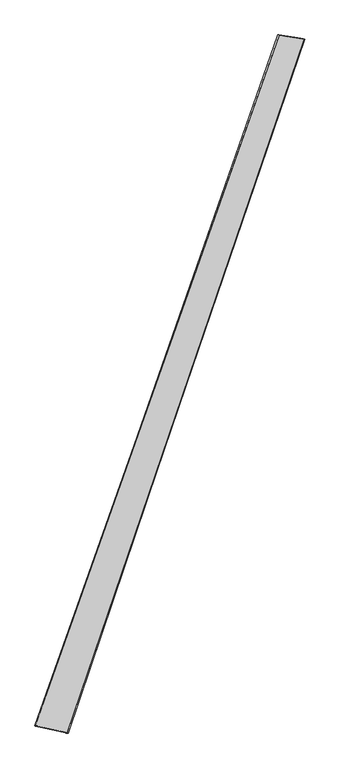
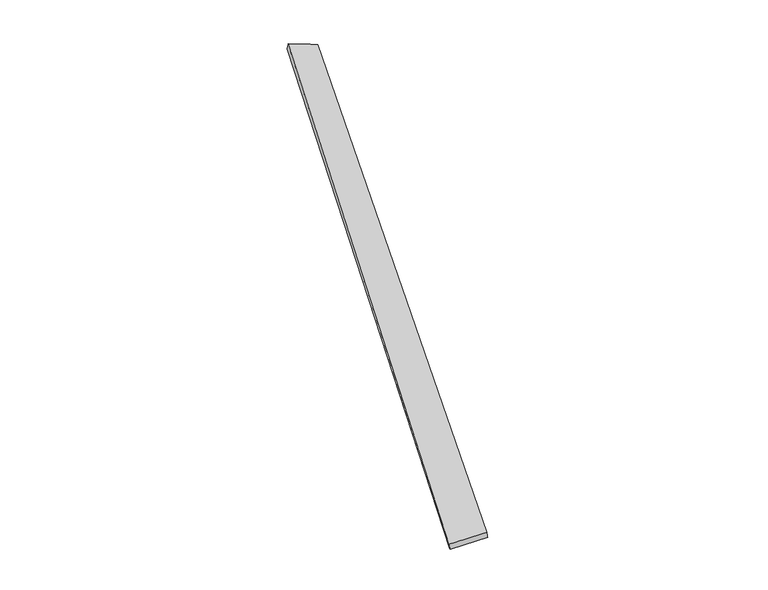
"""IFC4 building model written with IfcOpenShell, lengths in millimetres: proxy geometry."""

import ifcopenshell
import ifcopenshell.guid

model = None  # the IFC model being written
_history = None  # IfcOwnerHistory: only IFC2X3 demands one
_inside = {}  # id of a spatial element -> (the spatial element, [elements in it])
_under = {}  # id of a project, library or spatial element -> (it, [spatial elements below it])
_declared = {}  # id of a project -> (the project, [libraries it declares])
_typed = {}  # id of a type object -> (the type object, [elements of that type])
_made_of = {}  # id of a material, layer set ... -> (it, [elements and type objects made of it])


def new_model(schema):
    """Start an empty IFC model of exactly this schema.

    Asked for "IFC4X3", IfcOpenShell would pick the latest addendum, in which some entities
    have other attributes; the version numbers below select the first issue.
    IFC2X3 requires an IfcOwnerHistory on every rooted entity: one is made here for all.
    """
    global model, _history
    if schema == "IFC4X3":
        model = ifcopenshell.file(schema_version=(4, 3, 0, 0))
    else:
        model = ifcopenshell.file(schema=schema)
    _inside.clear()
    _under.clear()
    _declared.clear()
    _typed.clear()
    _made_of.clear()
    _history = None
    if model.schema == "IFC2X3":
        org = make("IfcOrganization", Name="unknown")
        user = make(
            "IfcPersonAndOrganization",
            ThePerson=make("IfcPerson", FamilyName="unknown"),
            TheOrganization=org,
        )
        app = make(
            "IfcApplication",
            ApplicationDeveloper=org,
            Version="unknown",
            ApplicationFullName="unknown",
            ApplicationIdentifier="unknown",
        )
        _history = make(
            "IfcOwnerHistory",
            OwningUser=user,
            OwningApplication=app,
            ChangeAction="ADDED",
            CreationDate=0,
        )
    return model


def make(cls, **values):
    """One entity of the class cls with the attributes given. An attribute that is None is left unset."""
    return model.create_entity(
        cls, **{name: value for name, value in values.items() if value is not None}
    )


def rooted(cls, **values):
    """An entity with a GlobalId (a new one), such as an element, a storey or a relation."""
    return make(cls, GlobalId=ifcopenshell.guid.new(), OwnerHistory=_history, **values)


def si_unit(unit_type, name, prefix=None):
    """IfcSIUnit, for example si_unit("LENGTHUNIT", "METRE", prefix="MILLI")."""
    return make("IfcSIUnit", UnitType=unit_type, Prefix=prefix, Name=name)


def assignment(units):
    """IfcUnitAssignment: the units of a project."""
    return None if units is None else make("IfcUnitAssignment", Units=units)


def point(xyz):
    """IfcCartesianPoint."""
    return None if xyz is None else make("IfcCartesianPoint", Coordinates=xyz)


def direction(xyz):
    """IfcDirection."""
    return None if xyz is None else make("IfcDirection", DirectionRatios=xyz)


def frame(location, z_axis=None, x_axis=None):
    """IfcAxis2Placement3D, a coordinate frame: its origin and axes. An axis left out is left unset."""
    return make(
        "IfcAxis2Placement3D",
        Location=point(location),
        Axis=direction(z_axis),
        RefDirection=direction(x_axis),
    )


def origin():
    """The frame at (0, 0, 0) with its axes left unset."""
    return frame((0.0, 0.0, 0.0))


def place(relative_to, where):
    """IfcLocalPlacement: puts the frame where relative to a parent placement (None: the world)."""
    return make(
        "IfcLocalPlacement", PlacementRelTo=relative_to, RelativePlacement=where
    )


def context(
    kind, dimensions, precision=None, world=None, true_north=None, identifier=None
):
    """IfcGeometricRepresentationContext, for example the 3D "Model" context."""
    return make(
        "IfcGeometricRepresentationContext",
        ContextIdentifier=identifier,
        ContextType=kind,
        CoordinateSpaceDimension=dimensions,
        Precision=precision,
        WorldCoordinateSystem=world,
        TrueNorth=true_north,
    )


def project(units=None, contexts=None):
    """IfcProject with its units and contexts."""
    return rooted(
        "IfcProject",
        Name="project",
        RepresentationContexts=contexts,
        UnitsInContext=assignment(units),
    )


def spatial(cls, under=None, at=None, **own):
    """A site, building, storey or space (cls), placed at a placement, below another one or the project."""
    s = rooted(cls, ObjectPlacement=at, **own)
    if under is not None:
        _under.setdefault(under.id(), (under, []))[1].append(s)
    return s


def shape(context_of_items, identifier, shape_type, items):
    """IfcShapeRepresentation: the items that make up one representation, for example the "Body"."""
    return make(
        "IfcShapeRepresentation",
        ContextOfItems=context_of_items,
        RepresentationIdentifier=identifier,
        RepresentationType=shape_type,
        Items=items,
    )


def source(mapping_origin, context_of_items, identifier, shape_type, items):
    """IfcRepresentationMap: a shape defined once, which mapped items show again and again."""
    return make(
        "IfcRepresentationMap",
        MappingOrigin=mapping_origin,
        MappedRepresentation=shape(context_of_items, identifier, shape_type, items),
    )


def transform(
    local_origin,
    x_axis=None,
    y_axis=None,
    z_axis=None,
    scale=None,
    scale2=None,
    scale3=None,
    uniform=True,
):
    """IfcCartesianTransformationOperator3D, or its non-uniform kind. x_axis, y_axis, z_axis: its Axis1, 2, 3."""
    if uniform:
        return make(
            "IfcCartesianTransformationOperator3D",
            Axis1=direction(x_axis),
            Axis2=direction(y_axis),
            LocalOrigin=point(local_origin),
            Scale=scale,
            Axis3=direction(z_axis),
        )
    return make(
        "IfcCartesianTransformationOperator3DnonUniform",
        Axis1=direction(x_axis),
        Axis2=direction(y_axis),
        LocalOrigin=point(local_origin),
        Scale=scale,
        Axis3=direction(z_axis),
        Scale2=scale2,
        Scale3=scale3,
    )


def mapped(mapping_source, mapping_target):
    """IfcMappedItem: shows the shape of a source again, moved by a transform."""
    return make(
        "IfcMappedItem", MappingSource=mapping_source, MappingTarget=mapping_target
    )


def made_of(thing, what):
    """Note that an element or type object is made of a material, layer set ...; save() writes the relation."""
    if what is not None:
        _made_of.setdefault(what.id(), (what, []))[1].append(thing)
    return thing


def element(
    cls,
    number,
    at=None,
    inside=None,
    cuts=None,
    type_object=None,
    material=None,
    context=None,
    identifier="Body",
    shape_type=None,
    held_by="IfcProductDefinitionShape",
    body=None,
    shapes=None,
    **own,
):
    """One element of the class cls, such as IfcWall. Its Tag is "e" and its number.

    at: its placement. inside: the storey or other place that contains it. cuts: it is an
    opening in that element (IfcRelVoidsElement). A single representation is given by context,
    identifier, shape_type and body (its items); several are given by shapes. held_by: the class
    of the entity that holds the representations. save() writes the other relations.
    """
    e = rooted(cls, Tag="e%d" % number, ObjectPlacement=at, **own)
    if body is not None:
        shapes = [shape(context, identifier, shape_type, body)]
    if shapes is not None:
        e.Representation = make(held_by, Representations=shapes)
    if inside is not None:
        _inside.setdefault(inside.id(), (inside, []))[1].append(e)
    if cuts is not None:
        rooted(
            "IfcRelVoidsElement", RelatingBuildingElement=cuts, RelatedOpeningElement=e
        )
    if type_object is not None:
        _typed.setdefault(type_object.id(), (type_object, []))[1].append(e)
    return made_of(e, material)


def aggregate(whole, parts):
    """IfcRelAggregates: a whole, such as a stair, and the parts it consists of."""
    return rooted("IfcRelAggregates", RelatingObject=whole, RelatedObjects=parts)


def save(model, path):
    """Write the relations noted so far, then the file.

    IfcRelAggregates (storeys below a building ...), IfcRelContainedInSpatialStructure (elements
    in a storey), IfcRelDefinesByType, IfcRelAssociatesMaterial and IfcRelDeclares: one each for
    every whole, place, type object, material and project.
    """
    for whole, parts in _under.values():
        aggregate(whole, parts)
    for where, things in _inside.values():
        rooted(
            "IfcRelContainedInSpatialStructure",
            RelatedElements=things,
            RelatingStructure=where,
        )
    for kind, things in _typed.values():
        rooted("IfcRelDefinesByType", RelatedObjects=things, RelatingType=kind)
    for what, things in _made_of.values():
        rooted("IfcRelAssociatesMaterial", RelatedObjects=things, RelatingMaterial=what)
    for by, libraries in _declared.values():
        rooted("IfcRelDeclares", RelatingContext=by, RelatedDefinitions=libraries)
    model.write(path)


def spline_surface(u_degree, v_degree, points, u_multiplicities, v_multiplicities, u_knots, v_knots, weights=None):
    """IfcBSplineSurfaceWithKnots; with weights, IfcRationalBSplineSurfaceWithKnots. points: one row for each step in u."""
    own = dict(
        UDegree=u_degree,
        VDegree=v_degree,
        ControlPointsList=[[point(p) for p in row] for row in points],
        SurfaceForm="UNSPECIFIED",
        UClosed=False,
        VClosed=False,
        SelfIntersect=False,
        UMultiplicities=u_multiplicities,
        VMultiplicities=v_multiplicities,
        UKnots=u_knots,
        VKnots=v_knots,
        KnotSpec="UNSPECIFIED",
    )
    if weights is None:
        return make("IfcBSplineSurfaceWithKnots", **own)
    return make("IfcRationalBSplineSurfaceWithKnots", WeightsData=weights, **own)


def advanced_brep(points, edges, surfaces, faces):
    """IfcAdvancedBrep: a solid bounded by faces that lie on surfaces and meet in shared edges.

    An edge is (start, end): straight between two places in points (the first is 0);
    or (start, end, curve); or (start, end, curve, False) where it runs against its curve.
    A face is (place in surfaces, loops), or (place, loops, False) where it looks against
    its surface's normal. A loop lists edges by number (the first is 1), with a minus sign
    where the edge is run from its end to its start. The first loop is the outer one.
    """
    corners = [point(p) for p in points]
    vertices = [make("IfcVertexPoint", VertexGeometry=c) for c in corners]
    made = []
    for start, end, *more in edges:
        made.append(
            make(
                "IfcEdgeCurve",
                EdgeStart=vertices[start],
                EdgeEnd=vertices[end],
                EdgeGeometry=more[0] if more else make("IfcPolyline", Points=[corners[start], corners[end]]),
                SameSense=more[1] if len(more) > 1 else True,
            )
        )
    hull = []
    for where, loops, *sense in faces:
        bounds = []
        for j, loop in enumerate(loops):
            ring = [make("IfcOrientedEdge", EdgeElement=made[abs(k) - 1], Orientation=k > 0) for k in loop]
            bounds.append(
                make(
                    "IfcFaceOuterBound" if j == 0 else "IfcFaceBound",
                    Bound=make("IfcEdgeLoop", EdgeList=ring),
                    Orientation=True,
                )
            )
        hull.append(make("IfcAdvancedFace", Bounds=bounds, FaceSurface=surfaces[where], SameSense=sense[0] if sense else True))
    return make("IfcAdvancedBrep", Outer=make("IfcClosedShell", CfsFaces=hull))


def generic_models_19676bc6(model_context):
    return source(origin(), model_context, "Body", "AdvancedBrep", [
        advanced_brep(
        [(-677.2015717, -1715.5773149, -14.858337), (-682.4756101, -1713.9935489, 14.6319361), (674.0397821, 2123.4737616, 48.7739976), (668.1628751, 2125.7939369, 19.4468983), (-502.1110286, -1752.4719314, 44.5385675), (816.6735098, 2100.901193, 8.9551364), (-498.307506, -1754.0228905, 14.8211022), (807.3462025, 2103.8062684, -19.4096636)],
        [
            (0, 1),
            (1, 2),
            (2, 3),
            (3, 0),
            (1, 4),
            (4, 5),
            (5, 2),
            (4, 6),
            (6, 7),
            (7, 5),
            (6, 0),
            (3, 7),
        ],
        [
            spline_surface(1, 1, [[(-677.2015717, -1715.5773149, -14.858337), (668.1628751, 2125.7939369, 19.4468983)], [(-682.4756101, -1713.9935489, 14.6319361), (674.0397821, 2123.4737616, 48.7739976)]], [2, 2], [2, 2], [0.0, 1.0], [0.0, 1.0]),
            spline_surface(1, 1, [[(-682.4756101, -1713.9935489, 14.6319361), (674.0397821, 2123.4737616, 48.7739976)], [(-502.1110286, -1752.4719314, 44.5385675), (816.6735098, 2100.901193, 8.9551364)]], [2, 2], [2, 2], [0.0, 1.0], [0.0, 1.0]),
            spline_surface(1, 1, [[(-502.1110286, -1752.4719314, 44.5385675), (816.6735098, 2100.901193, 8.9551364)], [(-498.307506, -1754.0228905, 14.8211022), (807.3462025, 2103.8062684, -19.4096636)]], [2, 2], [2, 2], [0.0, 1.0], [0.0, 1.0]),
            spline_surface(1, 1, [[(-498.307506, -1754.0228905, 14.8211022), (807.3462025, 2103.8062684, -19.4096636)], [(-677.2015717, -1715.5773149, -14.858337), (668.1628751, 2125.7939369, 19.4468983)]], [2, 2], [2, 2], [0.0, 1.0], [0.0, 1.0]),
            spline_surface(1, 1, [[(674.0397821, 2123.4737616, 48.7739976), (668.1628751, 2125.7939369, 19.4468983)], [(816.6735098, 2100.901193, 8.9551364), (807.3462025, 2103.8062684, -19.4096636)]], [2, 2], [2, 2], [0.0, 1.0], [0.0, 1.0]),
            spline_surface(1, 1, [[(-498.307506, -1754.0228905, 14.8211022), (-677.2015717, -1715.5773149, -14.858337)], [(-502.1110286, -1752.4719314, 44.5385675), (-682.4756101, -1713.9935489, 14.6319361)]], [2, 2], [2, 2], [0.0, 1.0], [0.0, 1.0]),
        ],
        [
            (0, [[1, 2, 3, 4]]),
            (1, [[5, 6, 7, -2]]),
            (2, [[8, 9, 10, -6]]),
            (3, [[11, -4, 12, -9]]),
            (4, [[-3, -7, -10, -12]]),
            (5, [[-11, -8, -5, -1]]),
        ],
    ),
    ])


if __name__ == "__main__":
    model = new_model("IFC4")
    model_context = context("Model", 3, world=origin())
    ifc_project = project(units=[si_unit("LENGTHUNIT", "METRE", prefix="MILLI")], contexts=[model_context])
    site = spatial("IfcSite", under=ifc_project)
    building = spatial("IfcBuilding", under=site)
    placement = place(None, origin())
    generic_models_shape = generic_models_19676bc6(model_context)
    element("IfcBuildingElementProxy", 1, Name="Generic Models", at=placement, inside=building, context=model_context, shape_type="MappedRepresentation", body=[
        mapped(generic_models_shape, transform((0.0, 0.0, 0.0), x_axis=(1.0, 0.0, 0.0), y_axis=(0.0, 1.0, 0.0), z_axis=(0.0, 0.0, 1.0))),
    ])
    save(model, "model.ifc")
